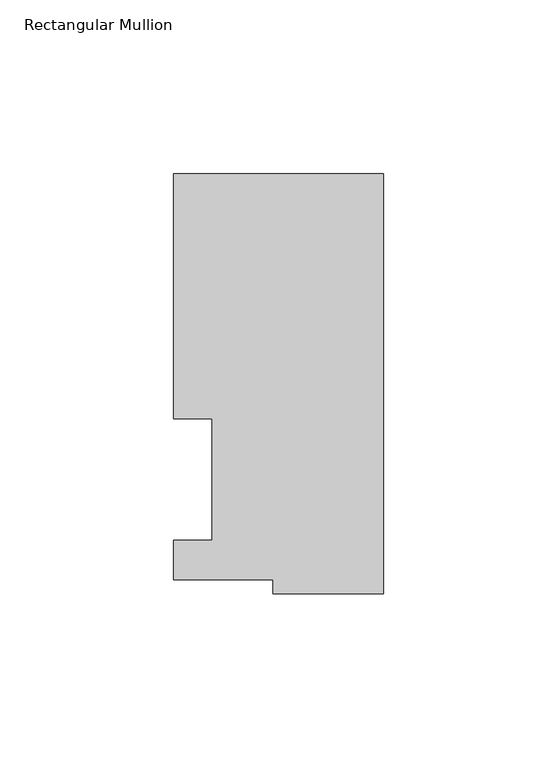
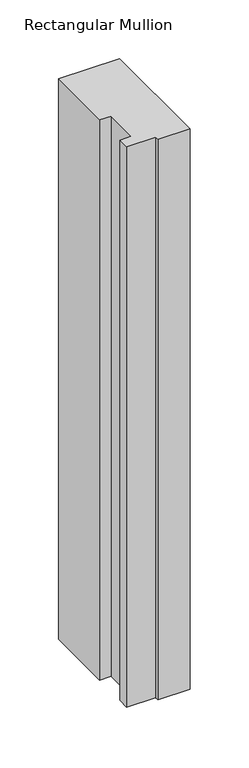
"""IFC4 building model written with IfcOpenShell, lengths in millimetres: member geometry, Rectangular Mullion."""

from ifc_helpers import new_model, si_unit, frame, origin, place, context, project, spatial, polyline, outline, extrude, source, transform, mapped, element, save


def rectangular_mullion_2d752e2b(model_context):
    return source(origin(), model_context, "Body", "SweptSolid", [
        extrude(outline(polyline([(-60.325, 117.4859878), (0.0, 117.4859878), (0.0, -3.3164122), (-31.75, -3.3164122), (-31.75, 0.7221701), (-60.325, 0.7221701), (-60.325, 12.1267878), (-49.2252, 12.1267878), (-49.2252, 47.0517878), (-60.325, 47.0517878), (-60.325, 117.4859878)])), frame((0.0, 0.0, -584.2), z_axis=(0.0, 0.0, 1.0), x_axis=(1.0, 0.0, 0.0)), (0.0, 0.0, 1.0), 584.2),
    ])


if __name__ == "__main__":
    model = new_model("IFC4")
    model_context = context("Model", 3, world=origin())
    ifc_project = project(units=[si_unit("LENGTHUNIT", "METRE", prefix="MILLI")], contexts=[model_context])
    site = spatial("IfcSite", under=ifc_project)
    building = spatial("IfcBuilding", under=site)
    placement = place(None, origin())
    rectangular_mullion_shape = rectangular_mullion_2d752e2b(model_context)
    element("IfcMember", 1, ObjectType="Rectangular Mullion", at=placement, inside=building, context=model_context, shape_type="MappedRepresentation", body=[
        mapped(rectangular_mullion_shape, transform((0.0, 0.0, 0.0), x_axis=(1.0, 0.0, 0.0), y_axis=(0.0, 1.0, 0.0), z_axis=(0.0, 0.0, 1.0))),
    ])
    save(model, "model.ifc")
